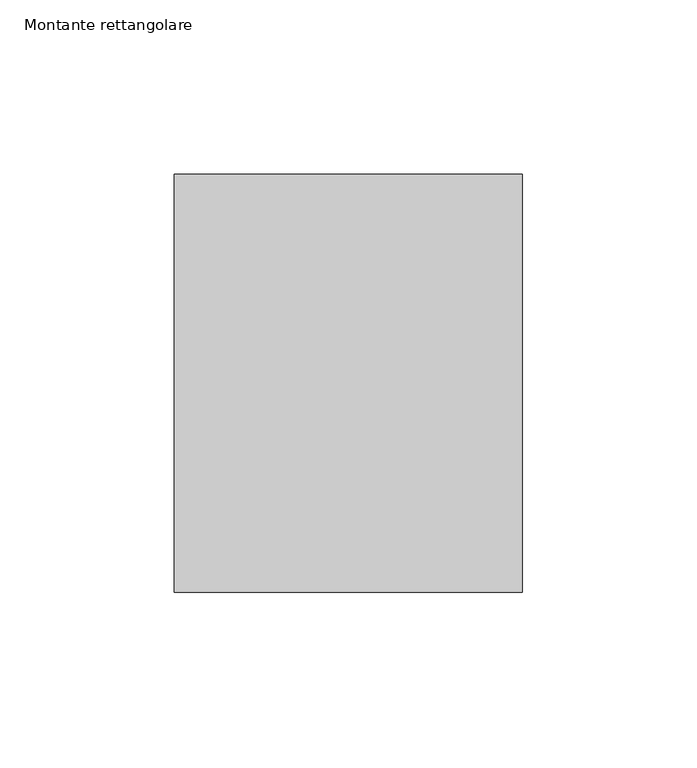
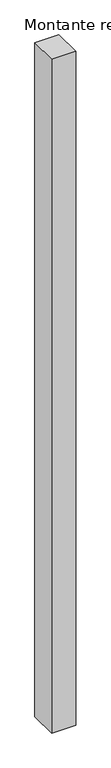
"""IFC4 building model written with IfcOpenShell, lengths in millimetres: member geometry, Montante rettangolare."""

import ifcopenshell
import ifcopenshell.guid

model = None  # the IFC model being written
_history = None  # IfcOwnerHistory: only IFC2X3 demands one
_inside = {}  # id of a spatial element -> (the spatial element, [elements in it])
_under = {}  # id of a project, library or spatial element -> (it, [spatial elements below it])
_declared = {}  # id of a project -> (the project, [libraries it declares])
_typed = {}  # id of a type object -> (the type object, [elements of that type])
_made_of = {}  # id of a material, layer set ... -> (it, [elements and type objects made of it])


def new_model(schema):
    """Start an empty IFC model of exactly this schema.

    Asked for "IFC4X3", IfcOpenShell would pick the latest addendum, in which some entities
    have other attributes; the version numbers below select the first issue.
    IFC2X3 requires an IfcOwnerHistory on every rooted entity: one is made here for all.
    """
    global model, _history
    if schema == "IFC4X3":
        model = ifcopenshell.file(schema_version=(4, 3, 0, 0))
    else:
        model = ifcopenshell.file(schema=schema)
    _inside.clear()
    _under.clear()
    _declared.clear()
    _typed.clear()
    _made_of.clear()
    _history = None
    if model.schema == "IFC2X3":
        org = make("IfcOrganization", Name="unknown")
        user = make(
            "IfcPersonAndOrganization",
            ThePerson=make("IfcPerson", FamilyName="unknown"),
            TheOrganization=org,
        )
        app = make(
            "IfcApplication",
            ApplicationDeveloper=org,
            Version="unknown",
            ApplicationFullName="unknown",
            ApplicationIdentifier="unknown",
        )
        _history = make(
            "IfcOwnerHistory",
            OwningUser=user,
            OwningApplication=app,
            ChangeAction="ADDED",
            CreationDate=0,
        )
    return model


def make(cls, **values):
    """One entity of the class cls with the attributes given. An attribute that is None is left unset."""
    return model.create_entity(
        cls, **{name: value for name, value in values.items() if value is not None}
    )


def rooted(cls, **values):
    """An entity with a GlobalId (a new one), such as an element, a storey or a relation."""
    return make(cls, GlobalId=ifcopenshell.guid.new(), OwnerHistory=_history, **values)


def si_unit(unit_type, name, prefix=None):
    """IfcSIUnit, for example si_unit("LENGTHUNIT", "METRE", prefix="MILLI")."""
    return make("IfcSIUnit", UnitType=unit_type, Prefix=prefix, Name=name)


def assignment(units):
    """IfcUnitAssignment: the units of a project."""
    return None if units is None else make("IfcUnitAssignment", Units=units)


def point(xyz):
    """IfcCartesianPoint."""
    return None if xyz is None else make("IfcCartesianPoint", Coordinates=xyz)


def direction(xyz):
    """IfcDirection."""
    return None if xyz is None else make("IfcDirection", DirectionRatios=xyz)


def frame(location, z_axis=None, x_axis=None):
    """IfcAxis2Placement3D, a coordinate frame: its origin and axes. An axis left out is left unset."""
    return make(
        "IfcAxis2Placement3D",
        Location=point(location),
        Axis=direction(z_axis),
        RefDirection=direction(x_axis),
    )


def origin():
    """The frame at (0, 0, 0) with its axes left unset."""
    return frame((0.0, 0.0, 0.0))


def place(relative_to, where):
    """IfcLocalPlacement: puts the frame where relative to a parent placement (None: the world)."""
    return make(
        "IfcLocalPlacement", PlacementRelTo=relative_to, RelativePlacement=where
    )


def context(
    kind, dimensions, precision=None, world=None, true_north=None, identifier=None
):
    """IfcGeometricRepresentationContext, for example the 3D "Model" context."""
    return make(
        "IfcGeometricRepresentationContext",
        ContextIdentifier=identifier,
        ContextType=kind,
        CoordinateSpaceDimension=dimensions,
        Precision=precision,
        WorldCoordinateSystem=world,
        TrueNorth=true_north,
    )


def project(units=None, contexts=None):
    """IfcProject with its units and contexts."""
    return rooted(
        "IfcProject",
        Name="project",
        RepresentationContexts=contexts,
        UnitsInContext=assignment(units),
    )


def spatial(cls, under=None, at=None, **own):
    """A site, building, storey or space (cls), placed at a placement, below another one or the project."""
    s = rooted(cls, ObjectPlacement=at, **own)
    if under is not None:
        _under.setdefault(under.id(), (under, []))[1].append(s)
    return s


def polyline(points):
    """IfcPolyline through the points."""
    return make("IfcPolyline", Points=[point(p) for p in points])


def outline(outer, holes=None, kind="AREA"):
    """IfcArbitraryClosedProfileDef: a profile drawn as a closed curve; with holes, ...WithVoids."""
    if holes is None:
        return make("IfcArbitraryClosedProfileDef", ProfileType=kind, OuterCurve=outer)
    return make(
        "IfcArbitraryProfileDefWithVoids",
        ProfileType=kind,
        OuterCurve=outer,
        InnerCurves=holes,
    )


def extrude(swept, where, along, depth):
    """IfcExtrudedAreaSolid: the profile swept, set in the frame where, extruded along a direction by depth."""
    return make(
        "IfcExtrudedAreaSolid",
        SweptArea=swept,
        Position=where,
        ExtrudedDirection=direction(along),
        Depth=depth,
    )


def shape(context_of_items, identifier, shape_type, items):
    """IfcShapeRepresentation: the items that make up one representation, for example the "Body"."""
    return make(
        "IfcShapeRepresentation",
        ContextOfItems=context_of_items,
        RepresentationIdentifier=identifier,
        RepresentationType=shape_type,
        Items=items,
    )


def source(mapping_origin, context_of_items, identifier, shape_type, items):
    """IfcRepresentationMap: a shape defined once, which mapped items show again and again."""
    return make(
        "IfcRepresentationMap",
        MappingOrigin=mapping_origin,
        MappedRepresentation=shape(context_of_items, identifier, shape_type, items),
    )


def transform(
    local_origin,
    x_axis=None,
    y_axis=None,
    z_axis=None,
    scale=None,
    scale2=None,
    scale3=None,
    uniform=True,
):
    """IfcCartesianTransformationOperator3D, or its non-uniform kind. x_axis, y_axis, z_axis: its Axis1, 2, 3."""
    if uniform:
        return make(
            "IfcCartesianTransformationOperator3D",
            Axis1=direction(x_axis),
            Axis2=direction(y_axis),
            LocalOrigin=point(local_origin),
            Scale=scale,
            Axis3=direction(z_axis),
        )
    return make(
        "IfcCartesianTransformationOperator3DnonUniform",
        Axis1=direction(x_axis),
        Axis2=direction(y_axis),
        LocalOrigin=point(local_origin),
        Scale=scale,
        Axis3=direction(z_axis),
        Scale2=scale2,
        Scale3=scale3,
    )


def mapped(mapping_source, mapping_target):
    """IfcMappedItem: shows the shape of a source again, moved by a transform."""
    return make(
        "IfcMappedItem", MappingSource=mapping_source, MappingTarget=mapping_target
    )


def made_of(thing, what):
    """Note that an element or type object is made of a material, layer set ...; save() writes the relation."""
    if what is not None:
        _made_of.setdefault(what.id(), (what, []))[1].append(thing)
    return thing


def element(
    cls,
    number,
    at=None,
    inside=None,
    cuts=None,
    type_object=None,
    material=None,
    context=None,
    identifier="Body",
    shape_type=None,
    held_by="IfcProductDefinitionShape",
    body=None,
    shapes=None,
    **own,
):
    """One element of the class cls, such as IfcWall. Its Tag is "e" and its number.

    at: its placement. inside: the storey or other place that contains it. cuts: it is an
    opening in that element (IfcRelVoidsElement). A single representation is given by context,
    identifier, shape_type and body (its items); several are given by shapes. held_by: the class
    of the entity that holds the representations. save() writes the other relations.
    """
    e = rooted(cls, Tag="e%d" % number, ObjectPlacement=at, **own)
    if body is not None:
        shapes = [shape(context, identifier, shape_type, body)]
    if shapes is not None:
        e.Representation = make(held_by, Representations=shapes)
    if inside is not None:
        _inside.setdefault(inside.id(), (inside, []))[1].append(e)
    if cuts is not None:
        rooted(
            "IfcRelVoidsElement", RelatingBuildingElement=cuts, RelatedOpeningElement=e
        )
    if type_object is not None:
        _typed.setdefault(type_object.id(), (type_object, []))[1].append(e)
    return made_of(e, material)


def aggregate(whole, parts):
    """IfcRelAggregates: a whole, such as a stair, and the parts it consists of."""
    return rooted("IfcRelAggregates", RelatingObject=whole, RelatedObjects=parts)


def save(model, path):
    """Write the relations noted so far, then the file.

    IfcRelAggregates (storeys below a building ...), IfcRelContainedInSpatialStructure (elements
    in a storey), IfcRelDefinesByType, IfcRelAssociatesMaterial and IfcRelDeclares: one each for
    every whole, place, type object, material and project.
    """
    for whole, parts in _under.values():
        aggregate(whole, parts)
    for where, things in _inside.values():
        rooted(
            "IfcRelContainedInSpatialStructure",
            RelatedElements=things,
            RelatingStructure=where,
        )
    for kind, things in _typed.values():
        rooted("IfcRelDefinesByType", RelatedObjects=things, RelatingType=kind)
    for what, things in _made_of.values():
        rooted("IfcRelAssociatesMaterial", RelatedObjects=things, RelatingMaterial=what)
    for by, libraries in _declared.values():
        rooted("IfcRelDeclares", RelatingContext=by, RelatedDefinitions=libraries)
    model.write(path)


def montante_rettangolare_0656ddef(model_context):
    return source(origin(), model_context, "Body", "SweptSolid", [
        extrude(outline(polyline([(0.0, 60.0), (0.0, -60.0), (-100.0, -60.0), (-100.0, 60.0), (0.0, 60.0)])), frame((0.0, 0.0, -2960.0), z_axis=(0.0, 0.0, 1.0), x_axis=(1.0, 0.0, 0.0)), (0.0, 0.0, 1.0), 2960.0),
    ])


if __name__ == "__main__":
    model = new_model("IFC4")
    model_context = context("Model", 3, world=origin())
    ifc_project = project(units=[si_unit("LENGTHUNIT", "METRE", prefix="MILLI")], contexts=[model_context])
    site = spatial("IfcSite", under=ifc_project)
    building = spatial("IfcBuilding", under=site)
    placement = place(None, origin())
    montante_rettangolare_shape = montante_rettangolare_0656ddef(model_context)
    element("IfcMember", 1, ObjectType="Montante rettangolare", at=placement, inside=building, context=model_context, shape_type="MappedRepresentation", body=[
        mapped(montante_rettangolare_shape, transform((0.0, 0.0, 0.0), x_axis=(1.0, 0.0, 0.0), y_axis=(0.0, 1.0, 0.0), z_axis=(0.0, 0.0, 1.0))),
    ])
    save(model, "model.ifc")
